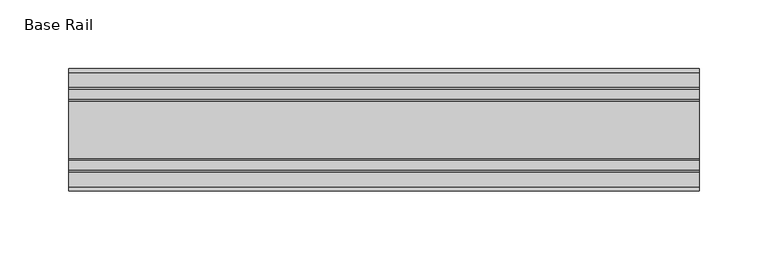
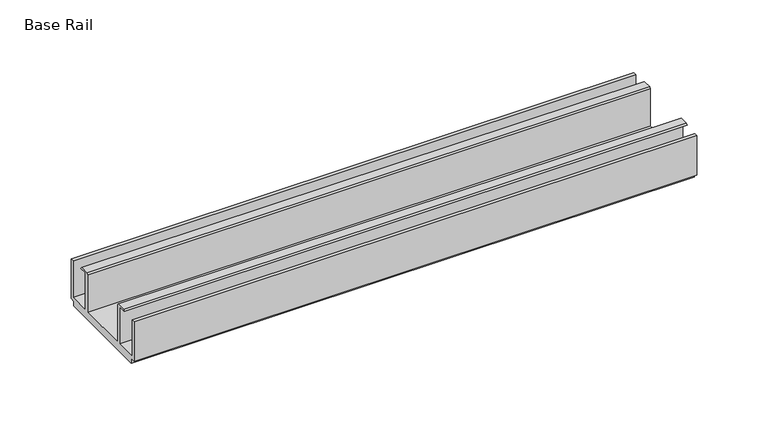
"""IFC4 building model written with IfcOpenShell, lengths in millimetres: furniture geometry, Base Rail."""

from ifc_helpers import new_model, si_unit, frame, origin, place, context, project, spatial, polyline, outline, extrude, source, transform, mapped, element, save


def base_rail_eb2237bf(model_context):
    return source(origin(), model_context, "Body", "SweptSolid", [
        extrude(outline(polyline([(-28.948195, 4.0000001), (-28.948195, 38.1), (-26.1481963, 38.1), (-26.1481963, 6.6000002), (-8.7481957, 6.6000002), (-8.7481957, 38.5424102), (-15.1141535, 38.5424102), (-13.9690637, 39.6875), (-6.5932854, 39.6875), (-5.4481956, 38.5424102), (-5.4481956, 6.6000002), (36.4518057, 6.6000002), (36.4518057, 38.5424102), (37.5968955, 39.6875), (44.9726737, 39.6875), (46.1177636, 38.5424102), (39.7518058, 38.5424102), (39.7518058, 6.6000002), (57.1518064, 6.6000002), (57.1518064, 38.1), (59.951805, 38.1), (59.951805, 4.0000001), (55.9518063, 4.0000001), (55.9518063, 0.0), (-24.9481962, 0.0), (-24.9481962, 4.0000001), (-28.948195, 4.0000001)])), frame((-198.6228469, 0.0, 0.0), z_axis=(1.0, 0.0, 0.0), x_axis=(0.0, 1.0, 0.0)), (0.0, 0.0, 1.0), 457.2),
    ])


if __name__ == "__main__":
    model = new_model("IFC4")
    model_context = context("Model", 3, world=origin())
    ifc_project = project(units=[si_unit("LENGTHUNIT", "METRE", prefix="MILLI")], contexts=[model_context])
    site = spatial("IfcSite", under=ifc_project)
    building = spatial("IfcBuilding", under=site)
    placement = place(None, origin())
    base_rail_shape = base_rail_eb2237bf(model_context)
    element("IfcFurniture", 1, ObjectType="Base Rail", at=placement, inside=building, context=model_context, shape_type="MappedRepresentation", body=[
        mapped(base_rail_shape, transform((0.0, 0.0, 0.0), x_axis=(1.0, 0.0, 0.0), y_axis=(0.0, 1.0, 0.0), z_axis=(0.0, 0.0, 1.0))),
    ])
    save(model, "model.ifc")
